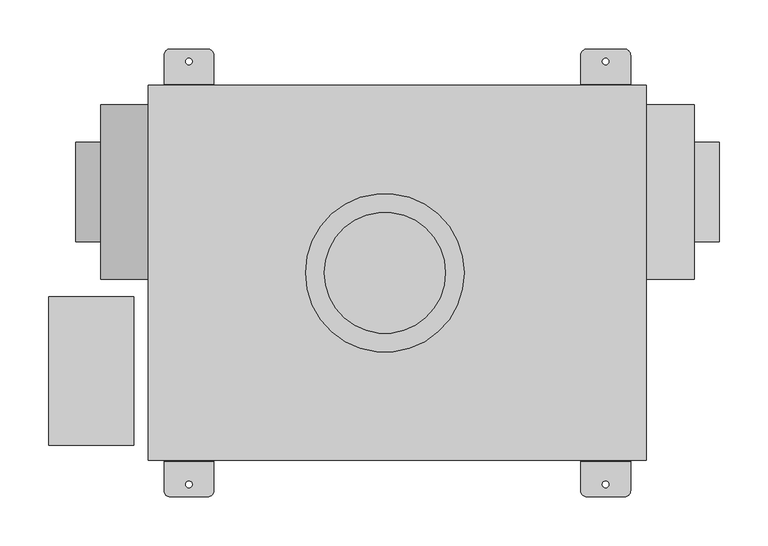
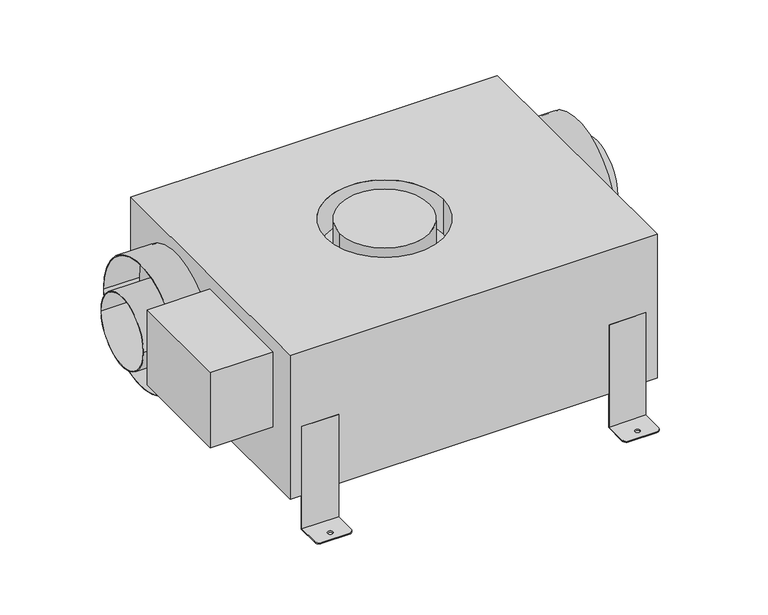
"""IFC4 building model written with IfcOpenShell, lengths in millimetres: proxy geometry."""

from ifc_helpers import new_model, si_unit, point, frame, frame_2d, origin, place, context, project, spatial, polyline, circle_curve, trimmed, segment, composite_curve, outline, extrude, source, transform, mapped, element, save
from ifc_brep_helpers import plane_surface, cylinder_surface, revolved_surface, advanced_brep


def generic_models_77574bc6(model_context):
    return source(origin(), model_context, "Body", "SolidModel", [
        extrude(outline(composite_curve([segment(trimmed(circle_curve(frame_2d((82.55, 155.7146994)), 50.8), [point((133.35, 155.7146994))], [point((31.75, 155.7146994))], False, "CARTESIAN"), True, "CONTINUOUS"), segment(trimmed(circle_curve(frame_2d((82.55, 155.7146994)), 50.8), [point((31.75, 155.7146994))], [point((133.35, 155.7146994))], False, "CARTESIAN"), True, "CONTINUOUS")], self_intersect=False), holes=[composite_curve([segment(trimmed(circle_curve(frame_2d((82.55, 155.7146994)), 49.784), [point((132.334, 155.7146994))], [point((32.766, 155.7146994))], True, "CARTESIAN"), True, "CONTINUOUS"), segment(trimmed(circle_curve(frame_2d((82.55, 155.7146994)), 49.784), [point((32.766, 155.7146994))], [point((132.334, 155.7146994))], True, "CARTESIAN"), True, "CONTINUOUS")], self_intersect=False)]), frame((-328.4474015, 0.0, 0.0), z_axis=(1.0, 0.0, 0.0), x_axis=(0.0, 1.0, 0.0)), (0.0, 0.0, 1.0), 74.4473934),
        extrude(outline(composite_curve([segment(trimmed(circle_curve(frame_2d((82.55, 155.7146994)), 88.9), [point((171.45, 155.7146994))], [point((-6.35, 155.7146994))], False, "CARTESIAN"), True, "CONTINUOUS"), segment(trimmed(circle_curve(frame_2d((82.55, 155.7146994)), 88.9), [point((-6.35, 155.7146994))], [point((171.45, 155.7146994))], False, "CARTESIAN"), True, "CONTINUOUS")], self_intersect=False), holes=[composite_curve([segment(trimmed(circle_curve(frame_2d((82.55, 155.7146994)), 87.884), [point((170.434, 155.7146994))], [point((-5.334, 155.7146994))], True, "CARTESIAN"), True, "CONTINUOUS"), segment(trimmed(circle_curve(frame_2d((82.55, 155.7146994)), 87.884), [point((-5.334, 155.7146994))], [point((170.434, 155.7146994))], True, "CARTESIAN"), True, "CONTINUOUS")], self_intersect=False)]), frame((-302.9712141, 0.0, 0.0), z_axis=(1.0, 0.0, 0.0), x_axis=(0.0, 1.0, 0.0)), (0.0, 0.0, 1.0), 48.9712059),
        extrude(outline(composite_curve([segment(trimmed(circle_curve(frame_2d((82.55, 155.7146994)), 50.8), [point((133.35, 155.7146994))], [point((31.75, 155.7146994))], False, "CARTESIAN"), True, "CONTINUOUS"), segment(trimmed(circle_curve(frame_2d((82.55, 155.7146994)), 50.8), [point((31.75, 155.7146994))], [point((133.35, 155.7146994))], False, "CARTESIAN"), True, "CONTINUOUS")], self_intersect=False), holes=[composite_curve([segment(trimmed(circle_curve(frame_2d((82.55, 155.7146994)), 49.784), [point((132.334, 155.7146994))], [point((32.766, 155.7146994))], True, "CARTESIAN"), True, "CONTINUOUS"), segment(trimmed(circle_curve(frame_2d((82.55, 155.7146994)), 49.784), [point((32.766, 155.7146994))], [point((132.334, 155.7146994))], True, "CARTESIAN"), True, "CONTINUOUS")], self_intersect=False)]), frame((254.0000081, 0.0, 0.0), z_axis=(1.0, 0.0, 0.0), x_axis=(0.0, 1.0, 0.0)), (0.0, 0.0, 1.0), 74.4473934),
        extrude(outline(composite_curve([segment(trimmed(circle_curve(frame_2d((82.55, 155.7146994)), 88.9), [point((171.45, 155.7146994))], [point((-6.35, 155.7146994))], False, "CARTESIAN"), True, "CONTINUOUS"), segment(trimmed(circle_curve(frame_2d((82.55, 155.7146994)), 88.9), [point((-6.35, 155.7146994))], [point((171.45, 155.7146994))], False, "CARTESIAN"), True, "CONTINUOUS")], self_intersect=False), holes=[composite_curve([segment(trimmed(circle_curve(frame_2d((82.55, 155.7146994)), 87.884), [point((170.434, 155.7146994))], [point((-5.334, 155.7146994))], True, "CARTESIAN"), True, "CONTINUOUS"), segment(trimmed(circle_curve(frame_2d((82.55, 155.7146994)), 87.884), [point((-5.334, 155.7146994))], [point((170.434, 155.7146994))], True, "CARTESIAN"), True, "CONTINUOUS")], self_intersect=False)]), frame((254.0000081, 0.0, 0.0), z_axis=(1.0, 0.0, 0.0), x_axis=(0.0, 1.0, 0.0)), (0.0, 0.0, 1.0), 48.9712059),
        advanced_brep(
        [(254.0000081, 191.4144009, 260.604), (-254.0000081, 191.4144009, 260.604), (-254.0000081, -191.4144009, 260.604), (254.0000081, -191.4144009, 260.604), (-93.6625, 0.0, 260.604), (68.2625, 0.0, 260.604), (-74.5069968, 0.0, 260.604), (49.1069968, 0.0, 260.604), (254.0000081, 191.4144009, 49.784), (254.0000081, -191.4144009, 49.784), (-254.0000081, -191.4144009, 49.784), (-254.0000081, 191.4144009, 49.784), (-93.6625, 0.0, 209.804), (68.2625, 0.0, 209.804), (-74.5069968, 0.0, 209.804), (49.1069968, 0.0, 209.804)],
        [
            (0, 1),
            (1, 2),
            (2, 3),
            (3, 0),
            (4, 5, circle_curve(frame((-12.7, 0.0, 260.604), z_axis=(0.0, 0.0, -1.0), x_axis=(1.0, 0.0, 0.0)), 80.9625)),
            (5, 4, circle_curve(frame((-12.7, 0.0, 260.604), z_axis=(0.0, 0.0, -1.0), x_axis=(1.0, 0.0, 0.0)), 80.9625)),
            (6, 7, circle_curve(frame((-12.7, 0.0, 260.604), z_axis=(0.0, 0.0, 1.0), x_axis=(1.0, 0.0, 0.0)), 61.8069968)),
            (7, 6, circle_curve(frame((-12.7, 0.0, 260.604), z_axis=(0.0, 0.0, 1.0), x_axis=(1.0, 0.0, 0.0)), 61.8069968)),
            (8, 9),
            (9, 10),
            (10, 11),
            (11, 8),
            (0, 8),
            (11, 1),
            (10, 2),
            (9, 3),
            (12, 13, circle_curve(frame((-12.7, 0.0, 209.804), z_axis=(0.0, 0.0, 1.0), x_axis=(1.0, 0.0, 0.0)), 80.9625)),
            (13, 12, circle_curve(frame((-12.7, 0.0, 209.804), z_axis=(0.0, 0.0, 1.0), x_axis=(1.0, 0.0, 0.0)), 80.9625)),
            (14, 15, circle_curve(frame((-12.7, 0.0, 209.804), z_axis=(0.0, 0.0, -1.0), x_axis=(1.0, 0.0, 0.0)), 61.8069968)),
            (15, 14, circle_curve(frame((-12.7, 0.0, 209.804), z_axis=(0.0, 0.0, -1.0), x_axis=(1.0, 0.0, 0.0)), 61.8069968)),
            (13, 5),
            (4, 12),
            (15, 7),
            (6, 14),
        ],
        [
            plane_surface(frame((-192.7605862, 191.4144009, 260.604), z_axis=(0.0, 0.0, 1.0), x_axis=(-1.0, 0.0, 0.0))),
            plane_surface(frame((-192.7605862, 191.4144009, 49.784), z_axis=(0.0, 0.0, -1.0), x_axis=(1.0, 0.0, 0.0))),
            plane_surface(frame((254.0000081, 191.4144009, 260.604), z_axis=(0.0, 1.0, 0.0), x_axis=(0.0, 0.0, -1.0))),
            plane_surface(frame((-254.0000081, 191.4144009, 260.604), z_axis=(-1.0, 0.0, 0.0), x_axis=(0.0, 0.0, -1.0))),
            plane_surface(frame((-254.0000081, -191.4144009, 260.604), z_axis=(0.0, -1.0, 0.0), x_axis=(0.0, 0.0, -1.0))),
            plane_surface(frame((254.0000081, -191.4144009, 260.604), z_axis=(1.0, 0.0, 0.0), x_axis=(0.0, 0.0, -1.0))),
            plane_surface(frame((68.2625, 0.0, 209.804), z_axis=(0.0, 0.0, 1.0), x_axis=(0.0, -1.0, 0.0))),
            revolved_surface(polyline([(68.2625, 0.0, 209.804), (68.2625, 0.0, 260.604)]), (-12.7, 0.0, 260.604), (0.0, 0.0, -1.0)),
            cylinder_surface(frame((-12.7, 0.0, 260.604), z_axis=(0.0, 0.0, 1.0), x_axis=(1.0, 0.0, 0.0)), 61.8069968),
        ],
        [
            (0, [[1, 2, 3, 4], [5, 6]]),
            (0, [[7, 8]]),
            (1, [[9, 10, 11, 12]]),
            (2, [[-1, 13, -12, 14]]),
            (3, [[-2, -14, -11, 15]]),
            (4, [[-3, -15, -10, 16]]),
            (5, [[-4, -16, -9, -13]]),
            (6, [[17, 18], [19, 20]]),
            (7, [[-18, 21, -5, 22]]),
            (7, [[-17, -22, -6, -21]]),
            (8, [[-20, 23, -7, 24]]),
            (8, [[-19, -24, -8, -23]]),
        ],
    ),
        advanced_brep(
        [(-238.1249964, -222.2567393, 1.524), (-231.7673357, -228.5999954, 1.524), (-193.6673357, -228.5999954, 1.524), (-187.3250008, -222.2468872, 1.524), (-187.3250008, -192.0240074, 1.524), (-238.1249964, -192.0240074, 1.524), (-216.1032, -215.9, 1.524), (-209.3468, -215.9, 1.524), (-238.1249964, -222.2567393, 0.0), (-238.1249964, -190.5, 0.0), (-187.3250008, -190.5, 0.0), (-187.3250008, -222.2468872, 0.0), (-193.6673357, -228.5999954, 0.0), (-231.7673357, -228.5999954, 0.0), (-216.1032, -215.9, 0.0), (-209.3468, -215.9, 0.0), (-187.3250008, -190.5, 151.384), (-187.3250008, -192.0240074, 151.384), (-238.1249964, -190.5, 151.384), (-238.1249964, -192.0240074, 151.384)],
        [
            (0, 1, circle_curve(frame((-231.775, -222.25, 1.524), z_axis=(0.0, 0.0, 1.0), x_axis=(1.0, 0.0, 0.0)), 6.35)),
            (1, 2),
            (2, 3, circle_curve(frame((-193.675, -222.25, 1.524), z_axis=(0.0, 0.0, 1.0), x_axis=(1.0, 0.0, 0.0)), 6.35)),
            (3, 4),
            (4, 5),
            (5, 0),
            (6, 7, circle_curve(frame((-212.725, -215.9, 1.524), z_axis=(0.0, 0.0, -1.0), x_axis=(1.0, 0.0, 0.0)), 3.3782)),
            (7, 6, circle_curve(frame((-212.725, -215.9, 1.524), z_axis=(0.0, 0.0, -1.0), x_axis=(1.0, 0.0, 0.0)), 3.3782)),
            (8, 9),
            (9, 10),
            (10, 11),
            (11, 12, circle_curve(frame((-193.675, -222.25, 0.0), z_axis=(0.0, 0.0, -1.0), x_axis=(1.0, 0.0, 0.0)), 6.35)),
            (12, 13),
            (13, 8, circle_curve(frame((-231.775, -222.25, 0.0), z_axis=(0.0, 0.0, -1.0), x_axis=(1.0, 0.0, 0.0)), 6.35)),
            (14, 15, circle_curve(frame((-212.725, -215.9, 0.0), z_axis=(0.0, 0.0, 1.0), x_axis=(1.0, 0.0, 0.0)), 3.3782)),
            (15, 14, circle_curve(frame((-212.725, -215.9, 0.0), z_axis=(0.0, 0.0, 1.0), x_axis=(1.0, 0.0, 0.0)), 3.3782)),
            (0, 8),
            (13, 1),
            (12, 2),
            (11, 3),
            (10, 16),
            (16, 17),
            (17, 4),
            (9, 18),
            (18, 16),
            (5, 19),
            (19, 18),
            (6, 14),
            (15, 7),
            (19, 17),
        ],
        [
            plane_surface(frame((-225.425, -222.25, 1.524), z_axis=(0.0, 0.0, 1.0), x_axis=(0.0, 1.0, 0.0))),
            plane_surface(frame((-225.425, -222.25, 0.0), z_axis=(0.0, 0.0, -1.0), x_axis=(0.0, -1.0, 0.0))),
            cylinder_surface(frame((-231.775, -222.25, 0.0), z_axis=(0.0, 0.0, 1.0), x_axis=(1.0, 0.0, 0.0)), 6.35),
            plane_surface(frame((-231.7673357, -228.5999954, 1.524), z_axis=(0.0, -1.0, 0.0), x_axis=(0.0, 0.0, -1.0))),
            cylinder_surface(frame((-193.675, -222.25, 0.0), z_axis=(0.0, 0.0, 1.0), x_axis=(1.0, 0.0, 0.0)), 6.35),
            plane_surface(frame((-187.3250008, -222.2468872, 1.524), z_axis=(1.0, 0.0, 0.0), x_axis=(0.0, 0.0, -1.0))),
            plane_surface(frame((-187.3250008, -190.5, 1.524), z_axis=(0.0, 1.0, 0.0), x_axis=(0.0, 0.0, -1.0))),
            plane_surface(frame((-238.1249964, -190.5, 1.524), z_axis=(-1.0, 0.0, 0.0), x_axis=(0.0, 0.0, -1.0))),
            revolved_surface(polyline([(-209.3468, -215.9, 0.0), (-209.3468, -215.9, 1.524)]), (-212.725, -215.9, 0.0), (0.0, 0.0, -1.0)),
            plane_surface(frame((254.0000081, -190.5, 151.384), z_axis=(0.0, 0.0, 1.0), x_axis=(-1.0, 0.0, 0.0))),
            plane_surface(frame((-238.1249964, -192.0240074, 151.384), z_axis=(0.0, -1.0, 0.0), x_axis=(0.0, 0.0, -1.0))),
        ],
        [
            (0, [[1, 2, 3, 4, 5, 6], [7, 8]]),
            (1, [[9, 10, 11, 12, 13, 14], [15, 16]]),
            (2, [[-1, 17, -14, 18]]),
            (3, [[-2, -18, -13, 19]]),
            (4, [[-3, -19, -12, 20]]),
            (5, [[-20, -11, 21, 22, 23, -4]]),
            (6, [[-21, -10, 24, 25]]),
            (7, [[-17, -6, 26, 27, -24, -9]]),
            (8, [[-7, 28, -16, 29]]),
            (8, [[-8, -29, -15, -28]]),
            (9, [[-25, -27, 30, -22]]),
            (10, [[-30, -26, -5, -23]]),
        ],
    ),
        advanced_brep(
        [(187.3250008, -222.2468872, 1.524), (193.6673357, -228.5999954, 1.524), (231.7673357, -228.5999954, 1.524), (238.1249964, -222.2567393, 1.524), (238.1249964, -192.0240074, 1.524), (187.3250008, -192.0240074, 1.524), (216.1032, -215.9, 1.524), (209.3468, -215.9, 1.524), (238.1249964, -190.5, 0.0), (238.1249964, -222.2567393, 0.0), (231.7673357, -228.5999954, 0.0), (193.6673357, -228.5999954, 0.0), (187.3250008, -222.2468872, 0.0), (187.3250008, -190.5, 0.0), (216.1032, -215.9, 0.0), (209.3468, -215.9, 0.0), (238.1249964, -190.5, 151.384), (238.1249964, -192.0240074, 151.384), (187.3250008, -190.5, 151.384), (187.3250008, -192.0240074, 151.384)],
        [
            (0, 1, circle_curve(frame((193.675, -222.25, 1.524), z_axis=(0.0, 0.0, 1.0), x_axis=(-1.0, 0.0, 0.0)), 6.35)),
            (1, 2),
            (2, 3, circle_curve(frame((231.775, -222.25, 1.524), z_axis=(0.0, 0.0, 1.0), x_axis=(-1.0, 0.0, 0.0)), 6.35)),
            (3, 4),
            (4, 5),
            (5, 0),
            (6, 7, circle_curve(frame((212.725, -215.9, 1.524), z_axis=(0.0, 0.0, -1.0), x_axis=(-1.0, 0.0, 0.0)), 3.3782)),
            (7, 6, circle_curve(frame((212.725, -215.9, 1.524), z_axis=(0.0, 0.0, -1.0), x_axis=(-1.0, 0.0, 0.0)), 3.3782)),
            (8, 9),
            (9, 10, circle_curve(frame((231.775, -222.25, 0.0), z_axis=(0.0, 0.0, -1.0), x_axis=(-1.0, 0.0, 0.0)), 6.35)),
            (10, 11),
            (11, 12, circle_curve(frame((193.675, -222.25, 0.0), z_axis=(0.0, 0.0, -1.0), x_axis=(-1.0, 0.0, 0.0)), 6.35)),
            (12, 13),
            (13, 8),
            (14, 15, circle_curve(frame((212.725, -215.9, 0.0), z_axis=(0.0, 0.0, 1.0), x_axis=(-1.0, 0.0, 0.0)), 3.3782)),
            (15, 14, circle_curve(frame((212.725, -215.9, 0.0), z_axis=(0.0, 0.0, 1.0), x_axis=(-1.0, 0.0, 0.0)), 3.3782)),
            (3, 9),
            (8, 16),
            (16, 17),
            (17, 4),
            (13, 18),
            (18, 16),
            (12, 0),
            (5, 19),
            (19, 18),
            (11, 1),
            (10, 2),
            (6, 14),
            (15, 7),
            (19, 17),
        ],
        [
            plane_surface(frame((-225.425, -222.25, 1.524), z_axis=(0.0, 0.0, 1.0), x_axis=(0.0, 1.0, 0.0))),
            plane_surface(frame((-225.425, -222.25, 0.0), z_axis=(0.0, 0.0, -1.0), x_axis=(0.0, -1.0, 0.0))),
            plane_surface(frame((238.1249964, -222.2567393, 1.524), z_axis=(1.0, 0.0, 0.0), x_axis=(0.0, 0.0, -1.0))),
            plane_surface(frame((238.1249964, -190.5, 1.524), z_axis=(0.0, 1.0, 0.0), x_axis=(0.0, 0.0, -1.0))),
            plane_surface(frame((187.3250008, -190.5, 1.524), z_axis=(-1.0, 0.0, 0.0), x_axis=(0.0, 0.0, -1.0))),
            cylinder_surface(frame((193.675, -222.25, 0.0), z_axis=(0.0, 0.0, 1.0), x_axis=(-1.0, 0.0, 0.0)), 6.35),
            plane_surface(frame((193.6673357, -228.5999954, 1.524), z_axis=(0.0, -1.0, 0.0), x_axis=(0.0, 0.0, -1.0))),
            cylinder_surface(frame((231.775, -222.25, 0.0), z_axis=(0.0, 0.0, 1.0), x_axis=(-1.0, 0.0, 0.0)), 6.35),
            revolved_surface(polyline([(209.3468, -215.9, 0.0), (209.3468, -215.9, 1.524)]), (212.725, -215.9, 0.0), (0.0, 0.0, -1.0)),
            plane_surface(frame((254.0000081, -190.5, 151.384), z_axis=(0.0, 0.0, 1.0), x_axis=(-1.0, 0.0, 0.0))),
            plane_surface(frame((187.3250008, -192.0240074, 151.384), z_axis=(0.0, -1.0, 0.0), x_axis=(0.0, 0.0, -1.0))),
        ],
        [
            (0, [[1, 2, 3, 4, 5, 6], [7, 8]]),
            (1, [[9, 10, 11, 12, 13, 14], [15, 16]]),
            (2, [[17, -9, 18, 19, 20, -4]]),
            (3, [[-18, -14, 21, 22]]),
            (4, [[-21, -13, 23, -6, 24, 25]]),
            (5, [[-1, -23, -12, 26]]),
            (6, [[-2, -26, -11, 27]]),
            (7, [[-3, -27, -10, -17]]),
            (8, [[-7, 28, -16, 29]]),
            (8, [[-8, -29, -15, -28]]),
            (9, [[-25, 30, -19, -22]]),
            (10, [[-30, -24, -5, -20]]),
        ],
    ),
        advanced_brep(
        [(-187.3250008, 222.2468872, 1.524), (-193.6673357, 228.5999954, 1.524), (-231.7673357, 228.5999954, 1.524), (-238.1249964, 222.2567393, 1.524), (-238.1249964, 192.0240074, 1.524), (-187.3250008, 192.0240074, 1.524), (-216.1032, 215.9, 1.524), (-209.3468, 215.9, 1.524), (-238.1249964, 190.5, 0.0), (-238.1249964, 222.2567393, 0.0), (-231.7673357, 228.5999954, 0.0), (-193.6673357, 228.5999954, 0.0), (-187.3250008, 222.2468872, 0.0), (-187.3250008, 190.5, 0.0), (-216.1032, 215.9, 0.0), (-209.3468, 215.9, 0.0), (-238.1249964, 190.5, 151.384), (-238.1249964, 192.0240074, 151.384), (-187.3250008, 190.5, 151.384), (-187.3250008, 192.0240074, 151.384)],
        [
            (0, 1, circle_curve(frame((-193.675, 222.25, 1.524), z_axis=(0.0, 0.0, 1.0), x_axis=(1.0, 0.0, 0.0)), 6.35)),
            (1, 2),
            (2, 3, circle_curve(frame((-231.775, 222.25, 1.524), z_axis=(0.0, 0.0, 1.0), x_axis=(1.0, 0.0, 0.0)), 6.35)),
            (3, 4),
            (4, 5),
            (5, 0),
            (6, 7, circle_curve(frame((-212.725, 215.9, 1.524), z_axis=(0.0, 0.0, -1.0), x_axis=(1.0, 0.0, 0.0)), 3.3782)),
            (7, 6, circle_curve(frame((-212.725, 215.9, 1.524), z_axis=(0.0, 0.0, -1.0), x_axis=(1.0, 0.0, 0.0)), 3.3782)),
            (8, 9),
            (9, 10, circle_curve(frame((-231.775, 222.25, 0.0), z_axis=(0.0, 0.0, -1.0), x_axis=(1.0, 0.0, 0.0)), 6.35)),
            (10, 11),
            (11, 12, circle_curve(frame((-193.675, 222.25, 0.0), z_axis=(0.0, 0.0, -1.0), x_axis=(1.0, 0.0, 0.0)), 6.35)),
            (12, 13),
            (13, 8),
            (14, 15, circle_curve(frame((-212.725, 215.9, 0.0), z_axis=(0.0, 0.0, 1.0), x_axis=(1.0, 0.0, 0.0)), 3.3782)),
            (15, 14, circle_curve(frame((-212.725, 215.9, 0.0), z_axis=(0.0, 0.0, 1.0), x_axis=(1.0, 0.0, 0.0)), 3.3782)),
            (3, 9),
            (8, 16),
            (16, 17),
            (17, 4),
            (13, 18),
            (18, 16),
            (12, 0),
            (5, 19),
            (19, 18),
            (11, 1),
            (10, 2),
            (6, 14),
            (15, 7),
            (19, 17),
        ],
        [
            plane_surface(frame((-225.425, -222.25, 1.524), z_axis=(0.0, 0.0, 1.0), x_axis=(0.0, 1.0, 0.0))),
            plane_surface(frame((-225.425, -222.25, 0.0), z_axis=(0.0, 0.0, -1.0), x_axis=(0.0, -1.0, 0.0))),
            plane_surface(frame((-238.1249964, 222.2567393, 1.524), z_axis=(-1.0, 0.0, 0.0), x_axis=(0.0, 0.0, -1.0))),
            plane_surface(frame((-238.1249964, 190.5, 1.524), z_axis=(0.0, -1.0, 0.0), x_axis=(0.0, 0.0, -1.0))),
            plane_surface(frame((-187.3250008, 190.5, 1.524), z_axis=(1.0, 0.0, 0.0), x_axis=(0.0, 0.0, -1.0))),
            cylinder_surface(frame((-193.675, 222.25, 0.0), z_axis=(0.0, 0.0, 1.0), x_axis=(1.0, 0.0, 0.0)), 6.35),
            plane_surface(frame((-193.6673357, 228.5999954, 1.524), z_axis=(0.0, 1.0, 0.0), x_axis=(0.0, 0.0, -1.0))),
            cylinder_surface(frame((-231.775, 222.25, 0.0), z_axis=(0.0, 0.0, 1.0), x_axis=(1.0, 0.0, 0.0)), 6.35),
            revolved_surface(polyline([(-209.3468, 215.9, 0.0), (-209.3468, 215.9, 1.524)]), (-212.725, 215.9, 0.0), (0.0, 0.0, -1.0)),
            plane_surface(frame((254.0000081, -190.5, 151.384), z_axis=(0.0, 0.0, 1.0), x_axis=(-1.0, 0.0, 0.0))),
            plane_surface(frame((-187.3250008, 192.0240074, 151.384), z_axis=(0.0, 1.0, 0.0), x_axis=(0.0, 0.0, -1.0))),
        ],
        [
            (0, [[1, 2, 3, 4, 5, 6], [7, 8]]),
            (1, [[9, 10, 11, 12, 13, 14], [15, 16]]),
            (2, [[17, -9, 18, 19, 20, -4]]),
            (3, [[-18, -14, 21, 22]]),
            (4, [[-21, -13, 23, -6, 24, 25]]),
            (5, [[-1, -23, -12, 26]]),
            (6, [[-2, -26, -11, 27]]),
            (7, [[-3, -27, -10, -17]]),
            (8, [[-7, 28, -16, 29]]),
            (8, [[-8, -29, -15, -28]]),
            (9, [[-25, 30, -19, -22]]),
            (10, [[-30, -24, -5, -20]]),
        ],
    ),
        advanced_brep(
        [(238.1249964, 222.2567393, 1.524), (231.7673357, 228.5999954, 1.524), (193.6673357, 228.5999954, 1.524), (187.3250008, 222.2468872, 1.524), (187.3250008, 192.0240074, 1.524), (238.1249964, 192.0240074, 1.524), (216.1032, 215.9, 1.524), (209.3468, 215.9, 1.524), (238.1249964, 222.2567393, 0.0), (238.1249964, 190.5, 0.0), (187.3250008, 190.5, 0.0), (187.3250008, 222.2468872, 0.0), (193.6673357, 228.5999954, 0.0), (231.7673357, 228.5999954, 0.0), (216.1032, 215.9, 0.0), (209.3468, 215.9, 0.0), (187.3250008, 190.5, 151.384), (187.3250008, 192.0240074, 151.384), (238.1249964, 190.5, 151.384), (238.1249964, 192.0240074, 151.384)],
        [
            (0, 1, circle_curve(frame((231.775, 222.25, 1.524), z_axis=(0.0, 0.0, 1.0), x_axis=(-1.0, 0.0, 0.0)), 6.35)),
            (1, 2),
            (2, 3, circle_curve(frame((193.675, 222.25, 1.524), z_axis=(0.0, 0.0, 1.0), x_axis=(-1.0, 0.0, 0.0)), 6.35)),
            (3, 4),
            (4, 5),
            (5, 0),
            (6, 7, circle_curve(frame((212.725, 215.9, 1.524), z_axis=(0.0, 0.0, -1.0), x_axis=(-1.0, 0.0, 0.0)), 3.3782)),
            (7, 6, circle_curve(frame((212.725, 215.9, 1.524), z_axis=(0.0, 0.0, -1.0), x_axis=(-1.0, 0.0, 0.0)), 3.3782)),
            (8, 9),
            (9, 10),
            (10, 11),
            (11, 12, circle_curve(frame((193.675, 222.25, 0.0), z_axis=(0.0, 0.0, -1.0), x_axis=(-1.0, 0.0, 0.0)), 6.35)),
            (12, 13),
            (13, 8, circle_curve(frame((231.775, 222.25, 0.0), z_axis=(0.0, 0.0, -1.0), x_axis=(-1.0, 0.0, 0.0)), 6.35)),
            (14, 15, circle_curve(frame((212.725, 215.9, 0.0), z_axis=(0.0, 0.0, 1.0), x_axis=(-1.0, 0.0, 0.0)), 3.3782)),
            (15, 14, circle_curve(frame((212.725, 215.9, 0.0), z_axis=(0.0, 0.0, 1.0), x_axis=(-1.0, 0.0, 0.0)), 3.3782)),
            (0, 8),
            (13, 1),
            (12, 2),
            (11, 3),
            (10, 16),
            (16, 17),
            (17, 4),
            (9, 18),
            (18, 16),
            (5, 19),
            (19, 18),
            (6, 14),
            (15, 7),
            (19, 17),
        ],
        [
            plane_surface(frame((-225.425, -222.25, 1.524), z_axis=(0.0, 0.0, 1.0), x_axis=(0.0, 1.0, 0.0))),
            plane_surface(frame((-225.425, -222.25, 0.0), z_axis=(0.0, 0.0, -1.0), x_axis=(0.0, -1.0, 0.0))),
            cylinder_surface(frame((231.775, 222.25, 0.0), z_axis=(0.0, 0.0, 1.0), x_axis=(-1.0, 0.0, 0.0)), 6.35),
            plane_surface(frame((231.7673357, 228.5999954, 1.524), z_axis=(0.0, 1.0, 0.0), x_axis=(0.0, 0.0, -1.0))),
            cylinder_surface(frame((193.675, 222.25, 0.0), z_axis=(0.0, 0.0, 1.0), x_axis=(-1.0, 0.0, 0.0)), 6.35),
            plane_surface(frame((187.3250008, 222.2468872, 1.524), z_axis=(-1.0, 0.0, 0.0), x_axis=(0.0, 0.0, -1.0))),
            plane_surface(frame((187.3250008, 190.5, 1.524), z_axis=(0.0, -1.0, 0.0), x_axis=(0.0, 0.0, -1.0))),
            plane_surface(frame((238.1249964, 190.5, 1.524), z_axis=(1.0, 0.0, 0.0), x_axis=(0.0, 0.0, -1.0))),
            revolved_surface(polyline([(209.3468, 215.9, 0.0), (209.3468, 215.9, 1.524)]), (212.725, 215.9, 0.0), (0.0, 0.0, -1.0)),
            plane_surface(frame((254.0000081, -190.5, 151.384), z_axis=(0.0, 0.0, 1.0), x_axis=(-1.0, 0.0, 0.0))),
            plane_surface(frame((238.1249964, 192.0240074, 151.384), z_axis=(0.0, 1.0, 0.0), x_axis=(0.0, 0.0, -1.0))),
        ],
        [
            (0, [[1, 2, 3, 4, 5, 6], [7, 8]]),
            (1, [[9, 10, 11, 12, 13, 14], [15, 16]]),
            (2, [[-1, 17, -14, 18]]),
            (3, [[-2, -18, -13, 19]]),
            (4, [[-3, -19, -12, 20]]),
            (5, [[-20, -11, 21, 22, 23, -4]]),
            (6, [[-21, -10, 24, 25]]),
            (7, [[-17, -6, 26, 27, -24, -9]]),
            (8, [[-7, 28, -16, 29]]),
            (8, [[-8, -29, -15, -28]]),
            (9, [[-25, -27, 30, -22]]),
            (10, [[-30, -26, -5, -23]]),
        ],
    ),
        extrude(outline(polyline([(-268.9605951, -24.2316), (-268.9605951, -175.7934), (-355.6, -175.7934), (-355.6, -24.2316), (-268.9605951, -24.2316)])), frame((0.0, 0.0, 151.638), z_axis=(0.0, 0.0, 1.0), x_axis=(1.0, 0.0, 0.0)), (0.0, 0.0, 1.0), 110.236),
    ])


if __name__ == "__main__":
    model = new_model("IFC4")
    model_context = context("Model", 3, world=origin())
    ifc_project = project(units=[si_unit("LENGTHUNIT", "METRE", prefix="MILLI")], contexts=[model_context])
    site = spatial("IfcSite", under=ifc_project)
    building = spatial("IfcBuilding", under=site)
    placement = place(None, origin())
    generic_models_shape = generic_models_77574bc6(model_context)
    element("IfcBuildingElementProxy", 1, Name="Generic Models", at=placement, inside=building, context=model_context, shape_type="MappedRepresentation", body=[
        mapped(generic_models_shape, transform((0.0, 0.0, 0.0), x_axis=(1.0, 0.0, 0.0), y_axis=(0.0, 1.0, 0.0), z_axis=(0.0, 0.0, 1.0))),
    ])
    save(model, "model.ifc")
